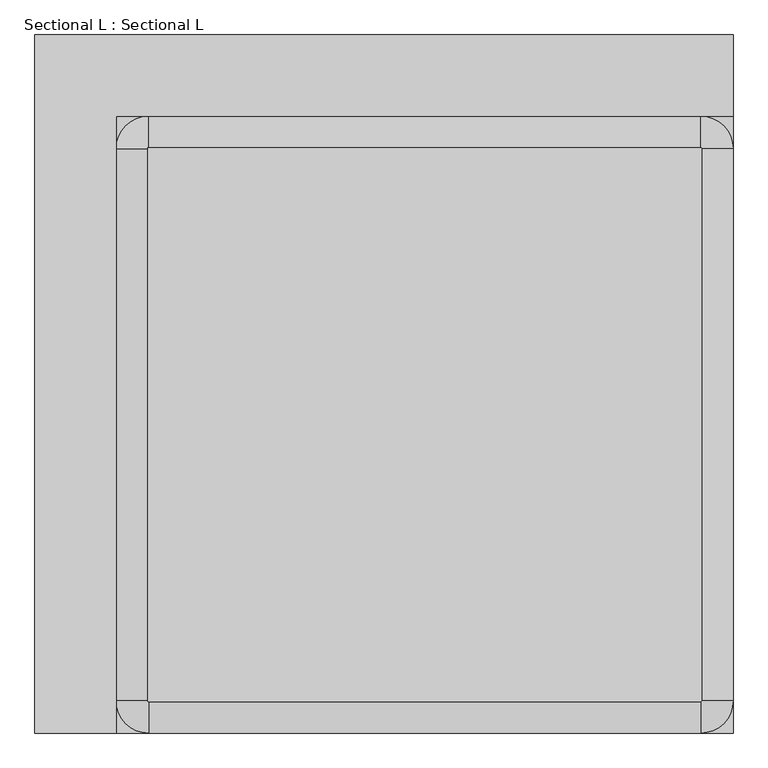
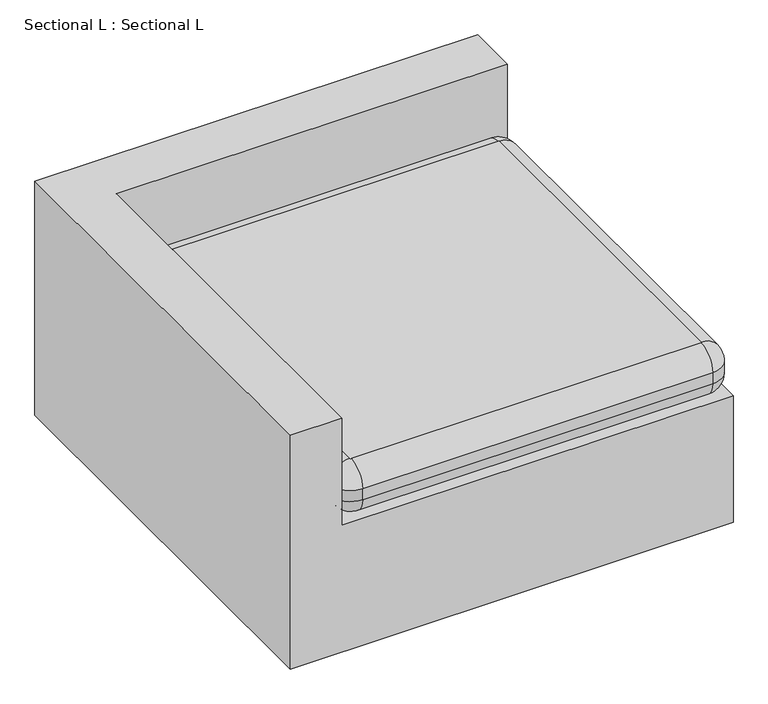
"""IFC4 building model written with IfcOpenShell, lengths in millimetres: furniture geometry, Sectional L : Sectional L."""

from ifc_helpers import new_model, si_unit, point, frame, origin, place, context, project, spatial, circle_curve, ellipse_curve, trimmed, faceted_brep, source, transform, mapped, element, save
from ifc_brep_helpers import plane_surface, cylinder_surface, revolved_surface, advanced_brep


def sectional_l_sectional_l_2c5974f1(model_context):
    return source(origin(), model_context, "Body", "SolidModel", [
        advanced_brep(
        [(176.2125, -1041.4, 482.6), (177.8, -1042.9875, 482.6), (1041.4, -1042.9875, 482.6), (1042.9875, -1041.4, 482.6), (1042.9875, -177.8, 482.6), (1041.4, -176.2125, 482.6), (177.8, -176.2125, 482.6), (176.2125, -177.8, 482.6), (177.8, -1042.9875, 355.6), (176.2125, -1041.4, 355.6), (176.2125, -177.8, 355.6), (177.8, -176.2125, 355.6), (1041.4, -176.2125, 355.6), (1042.9875, -177.8, 355.6), (1042.9875, -1041.4, 355.6), (1041.4, -1042.9875, 355.6), (1092.2, -1041.4, 404.8125), (1092.2, -177.8, 404.8125), (1092.2, -177.8, 433.3875), (1092.2, -1041.4, 433.3875), (1041.4, -127.0, 404.8125), (177.8, -127.0, 404.8125), (177.8, -127.0, 433.3875), (1041.4, -127.0, 433.3875), (127.0, -177.8, 404.8125), (127.0, -1041.4, 404.8125), (127.0, -1041.4, 433.3875), (127.0, -177.8, 433.3875), (177.8, -1092.2, 404.8125), (1041.4, -1092.2, 404.8125), (1041.4, -1092.2, 433.3875), (177.8, -1092.2, 433.3875)],
        [
            (0, 1, circle_curve(frame((177.8, -1041.4, 482.6), z_axis=(0.0, 0.0, 1.0), x_axis=(-1.0, 0.0, 0.0)), 1.5875)),
            (1, 2),
            (2, 3, circle_curve(frame((1041.4, -1041.4, 482.6), z_axis=(0.0, 0.0, 1.0), x_axis=(0.0, -1.0, 0.0)), 1.5875)),
            (3, 4),
            (4, 5, circle_curve(frame((1041.4, -177.8, 482.6), z_axis=(0.0, 0.0, 1.0), x_axis=(1.0, 0.0, 0.0)), 1.5875)),
            (5, 6),
            (6, 7, circle_curve(frame((177.8, -177.8, 482.6), z_axis=(0.0, 0.0, 1.0), x_axis=(0.0, 1.0, 0.0)), 1.5875)),
            (7, 0),
            (8, 9, circle_curve(frame((177.8, -1041.4, 355.6), z_axis=(0.0, 0.0, -1.0), x_axis=(-1.0, 0.0, 0.0)), 1.5875)),
            (9, 10),
            (10, 11, circle_curve(frame((177.8, -177.8, 355.6), z_axis=(0.0, 0.0, -1.0), x_axis=(0.0, 1.0, 0.0)), 1.5875)),
            (11, 12),
            (12, 13, circle_curve(frame((1041.4, -177.8, 355.6), z_axis=(0.0, 0.0, -1.0), x_axis=(1.0, 0.0, 0.0)), 1.5875)),
            (13, 14),
            (14, 15, circle_curve(frame((1041.4, -1041.4, 355.6), z_axis=(0.0, 0.0, -1.0), x_axis=(0.0, -1.0, 0.0)), 1.5875)),
            (15, 8),
            (16, 17),
            (17, 18),
            (18, 19),
            (19, 16),
            (20, 21),
            (21, 22),
            (22, 23),
            (23, 20),
            (24, 25),
            (25, 26),
            (26, 27),
            (27, 24),
            (28, 29),
            (29, 30),
            (30, 31),
            (31, 28),
            (29, 16, circle_curve(frame((1041.4, -1041.4, 404.8125), z_axis=(0.0, 0.0, 1.0), x_axis=(1.0, 0.0, 0.0)), 50.8)),
            (19, 30, circle_curve(frame((1041.4, -1041.4, 433.3875), z_axis=(0.0, 0.0, -1.0), x_axis=(1.0, 0.0, 0.0)), 50.8)),
            (17, 20, circle_curve(frame((1041.4, -177.8, 404.8125), z_axis=(0.0, 0.0, 1.0), x_axis=(1.0, 0.0, 0.0)), 50.8)),
            (23, 18, circle_curve(frame((1041.4, -177.8, 433.3875), z_axis=(0.0, 0.0, -1.0), x_axis=(1.0, 0.0, 0.0)), 50.8)),
            (21, 24, circle_curve(frame((177.8, -177.8, 404.8125), z_axis=(0.0, 0.0, 1.0), x_axis=(1.0, 0.0, 0.0)), 50.8)),
            (27, 22, circle_curve(frame((177.8, -177.8, 433.3875), z_axis=(0.0, 0.0, -1.0), x_axis=(1.0, 0.0, 0.0)), 50.8)),
            (25, 28, circle_curve(frame((177.8, -1041.4, 404.8125), z_axis=(0.0, 0.0, 1.0), x_axis=(1.0, 0.0, 0.0)), 50.8)),
            (31, 26, circle_curve(frame((177.8, -1041.4, 433.3875), z_axis=(0.0, 0.0, -1.0), x_axis=(1.0, 0.0, 0.0)), 50.8)),
            (8, 28, circle_curve(frame((177.8, -1042.9875, 404.8125), z_axis=(-1.0, 0.0, 0.0), x_axis=(0.0, 1.0, 0.0)), 49.2125)),
            (25, 9, circle_curve(frame((176.2125, -1041.4, 404.8125), z_axis=(0.0, -1.0, 0.0), x_axis=(1.0, 0.0, 0.0)), 49.2125)),
            (15, 29, circle_curve(frame((1041.4, -1042.9875, 404.8125), z_axis=(-1.0, 0.0, 0.0), x_axis=(0.0, 1.0, 0.0)), 49.2125)),
            (14, 16, circle_curve(frame((1042.9875, -1041.4, 404.8125), z_axis=(0.0, -1.0, 0.0), x_axis=(-1.0, 0.0, 0.0)), 49.2125)),
            (13, 17, circle_curve(frame((1042.9875, -177.8, 404.8125), z_axis=(0.0, -1.0, 0.0), x_axis=(-1.0, 0.0, 0.0)), 49.2125)),
            (12, 20, circle_curve(frame((1041.4, -176.2125, 404.8125), z_axis=(1.0, 0.0, 0.0), x_axis=(0.0, -1.0, 0.0)), 49.2125)),
            (11, 21, circle_curve(frame((177.8, -176.2125, 404.8125), z_axis=(1.0, 0.0, 0.0), x_axis=(0.0, -1.0, 0.0)), 49.2125)),
            (10, 24, circle_curve(frame((176.2125, -177.8, 404.8125), z_axis=(0.0, 1.0, 0.0), x_axis=(1.0, 0.0, 0.0)), 49.2125)),
            (31, 1, circle_curve(frame((177.8, -1042.9875, 433.3875), z_axis=(-1.0, 0.0, 0.0), x_axis=(0.0, 1.0, 0.0)), 49.2125)),
            (0, 26, circle_curve(frame((176.2125, -1041.4, 433.3875), z_axis=(0.0, -1.0, 0.0), x_axis=(1.0, 0.0, 0.0)), 49.2125)),
            (30, 2, circle_curve(frame((1041.4, -1042.9875, 433.3875), z_axis=(-1.0, 0.0, 0.0), x_axis=(0.0, 1.0, 0.0)), 49.2125)),
            (19, 3, circle_curve(frame((1042.9875, -1041.4, 433.3875), z_axis=(0.0, -1.0, 0.0), x_axis=(-1.0, 0.0, 0.0)), 49.2125)),
            (18, 4, circle_curve(frame((1042.9875, -177.8, 433.3875), z_axis=(0.0, -1.0, 0.0), x_axis=(-1.0, 0.0, 0.0)), 49.2125)),
            (23, 5, circle_curve(frame((1041.4, -176.2125, 433.3875), z_axis=(1.0, 0.0, 0.0), x_axis=(0.0, -1.0, 0.0)), 49.2125)),
            (22, 6, circle_curve(frame((177.8, -176.2125, 433.3875), z_axis=(1.0, 0.0, 0.0), x_axis=(0.0, -1.0, 0.0)), 49.2125)),
            (27, 7, circle_curve(frame((176.2125, -177.8, 433.3875), z_axis=(0.0, 1.0, 0.0), x_axis=(1.0, 0.0, 0.0)), 49.2125)),
        ],
        [
            plane_surface(frame((1092.2, -1041.4, 482.6), z_axis=(0.0, 0.0, 1.0), x_axis=(0.0, 1.0, 0.0))),
            plane_surface(frame((1092.2, -1041.4, 355.6), z_axis=(0.0, 0.0, -1.0), x_axis=(0.0, -1.0, 0.0))),
            plane_surface(frame((1092.2, -1041.4, 482.6), z_axis=(1.0, 0.0, 0.0), x_axis=(0.0, 0.0, -1.0))),
            plane_surface(frame((1041.4, -127.0, 482.6), z_axis=(0.0, 1.0, 0.0), x_axis=(0.0, 0.0, -1.0))),
            plane_surface(frame((127.0, -177.8, 482.6), z_axis=(-1.0, 0.0, 0.0), x_axis=(0.0, 0.0, -1.0))),
            plane_surface(frame((177.8, -1092.2, 482.6), z_axis=(0.0, -1.0, 0.0), x_axis=(0.0, 0.0, -1.0))),
            cylinder_surface(frame((1041.4, -1041.4, 355.6), z_axis=(0.0, 0.0, 1.0), x_axis=(1.0, 0.0, 0.0)), 50.8),
            cylinder_surface(frame((1041.4, -177.8, 355.6), z_axis=(0.0, 0.0, 1.0), x_axis=(1.0, 0.0, 0.0)), 50.8),
            cylinder_surface(frame((177.8, -177.8, 355.6), z_axis=(0.0, 0.0, 1.0), x_axis=(1.0, 0.0, 0.0)), 50.8),
            cylinder_surface(frame((177.8, -1041.4, 355.6), z_axis=(0.0, 0.0, 1.0), x_axis=(1.0, 0.0, 0.0)), 50.8),
            revolved_surface(trimmed(ellipse_curve(frame((176.2125, -1041.4, 404.8125), z_axis=(0.0, 1.0, 0.0), x_axis=(1.0, 0.0, 0.0)), 49.2125, 49.2125), [point((176.2125, -1041.4, 355.6))], [point((127.0, -1041.4, 404.8125))], True, "CARTESIAN"), (177.8, -1041.4, 355.6), (0.0, 0.0, 1.0)),
            cylinder_surface(frame((177.8, -1042.9875, 404.8125), z_axis=(1.0, 0.0, 0.0), x_axis=(0.0, 1.0, 0.0)), 49.2125),
            revolved_surface(trimmed(ellipse_curve(frame((1041.4, -1042.9875, 404.8125), z_axis=(-1.0, 0.0, 0.0), x_axis=(0.0, 1.0, 0.0)), 49.2125, 49.2125), [point((1041.4, -1042.9875, 355.6))], [point((1041.4, -1092.2, 404.8125))], True, "CARTESIAN"), (1041.4, -1041.4, 355.6), (0.0, 0.0, 1.0)),
            cylinder_surface(frame((1042.9875, -1041.4, 404.8125), z_axis=(0.0, 1.0, 0.0), x_axis=(-1.0, 0.0, 0.0)), 49.2125),
            revolved_surface(trimmed(ellipse_curve(frame((1042.9875, -177.8, 404.8125), z_axis=(0.0, -1.0, 0.0), x_axis=(-1.0, 0.0, 0.0)), 49.2125, 49.2125), [point((1042.9875, -177.8, 355.6))], [point((1092.2, -177.8, 404.8125))], True, "CARTESIAN"), (1041.4, -177.8, 355.6), (0.0, 0.0, 1.0)),
            cylinder_surface(frame((1041.4, -176.2125, 404.8125), z_axis=(-1.0, 0.0, 0.0), x_axis=(0.0, -1.0, 0.0)), 49.2125),
            revolved_surface(trimmed(ellipse_curve(frame((177.8, -176.2125, 404.8125), z_axis=(1.0, 0.0, 0.0), x_axis=(0.0, -1.0, 0.0)), 49.2125, 49.2125), [point((177.8, -176.2125, 355.6))], [point((177.8, -127.0, 404.8125))], True, "CARTESIAN"), (177.8, -177.8, 355.6), (0.0, 0.0, 1.0)),
            cylinder_surface(frame((176.2125, -177.8, 404.8125), z_axis=(0.0, -1.0, 0.0), x_axis=(1.0, 0.0, 0.0)), 49.2125),
            revolved_surface(trimmed(ellipse_curve(frame((176.2125, -1041.4, 433.3875), z_axis=(0.0, 1.0, 0.0), x_axis=(1.0, 0.0, 0.0)), 49.2125, 49.2125), [point((127.0, -1041.4, 433.3875))], [point((176.2125, -1041.4, 482.6))], True, "CARTESIAN"), (177.8, -1041.4, 482.6), (0.0, 0.0, 1.0)),
            cylinder_surface(frame((177.8, -1042.9875, 433.3875), z_axis=(1.0, 0.0, 0.0), x_axis=(0.0, 1.0, 0.0)), 49.2125),
            revolved_surface(trimmed(ellipse_curve(frame((1041.4, -1042.9875, 433.3875), z_axis=(-1.0, 0.0, 0.0), x_axis=(0.0, 1.0, 0.0)), 49.2125, 49.2125), [point((1041.4, -1092.2, 433.3875))], [point((1041.4, -1042.9875, 482.6))], True, "CARTESIAN"), (1041.4, -1041.4, 482.6), (0.0, 0.0, 1.0)),
            cylinder_surface(frame((1042.9875, -1041.4, 433.3875), z_axis=(0.0, 1.0, 0.0), x_axis=(-1.0, 0.0, 0.0)), 49.2125),
            revolved_surface(trimmed(ellipse_curve(frame((1042.9875, -177.8, 433.3875), z_axis=(0.0, -1.0, 0.0), x_axis=(-1.0, 0.0, 0.0)), 49.2125, 49.2125), [point((1092.2, -177.8, 433.3875))], [point((1042.9875, -177.8, 482.6))], True, "CARTESIAN"), (1041.4, -177.8, 482.6), (0.0, 0.0, 1.0)),
            cylinder_surface(frame((1041.4, -176.2125, 433.3875), z_axis=(-1.0, 0.0, 0.0), x_axis=(0.0, -1.0, 0.0)), 49.2125),
            revolved_surface(trimmed(ellipse_curve(frame((177.8, -176.2125, 433.3875), z_axis=(1.0, 0.0, 0.0), x_axis=(0.0, -1.0, 0.0)), 49.2125, 49.2125), [point((177.8, -127.0, 433.3875))], [point((177.8, -176.2125, 482.6))], True, "CARTESIAN"), (177.8, -177.8, 482.6), (0.0, 0.0, 1.0)),
            cylinder_surface(frame((176.2125, -177.8, 433.3875), z_axis=(0.0, -1.0, 0.0), x_axis=(1.0, 0.0, 0.0)), 49.2125),
        ],
        [
            (0, [[1, 2, 3, 4, 5, 6, 7, 8]]),
            (1, [[9, 10, 11, 12, 13, 14, 15, 16]]),
            (2, [[17, 18, 19, 20]]),
            (3, [[21, 22, 23, 24]]),
            (4, [[25, 26, 27, 28]]),
            (5, [[29, 30, 31, 32]]),
            (6, [[33, -20, 34, -30]]),
            (7, [[35, -24, 36, -18]]),
            (8, [[37, -28, 38, -22]]),
            (9, [[39, -32, 40, -26]]),
            (10, [[41, -39, 42, -9]]),
            (11, [[-41, -16, 43, -29]]),
            (12, [[-43, -15, 44, -33]]),
            (13, [[-44, -14, 45, -17]]),
            (14, [[-45, -13, 46, -35]]),
            (15, [[-46, -12, 47, -21]]),
            (16, [[-47, -11, 48, -37]]),
            (17, [[-42, -25, -48, -10]]),
            (18, [[49, -1, 50, -40]]),
            (19, [[-49, -31, 51, -2]]),
            (20, [[-51, -34, 52, -3]]),
            (21, [[-52, -19, 53, -4]]),
            (22, [[-53, -36, 54, -5]]),
            (23, [[-54, -23, 55, -6]]),
            (24, [[-55, -38, 56, -7]]),
            (25, [[-50, -8, -56, -27]]),
        ],
    ),
        faceted_brep([(1092.2, -127.0, 635.0), (1092.2, 0.0, 635.0), (0.0, 0.0, 635.0), (0.0, -1092.2, 635.0), (127.0, -1092.2, 635.0), (127.0, -127.0, 635.0), (0.0, 0.0, 25.4), (1092.2, 0.0, 25.4), (1092.2, -1092.2, 25.4), (0.0, -1092.2, 25.4), (1092.2, -127.0, 355.6), (1092.2, -1092.2, 355.6), (127.0, -127.0, 355.6), (127.0, -1092.2, 355.6)], [[[0, 1, 2, 3, 4, 5]], [[6, 7, 8, 9]], [[1, 0, 10, 11, 8, 7]], [[2, 1, 7, 6]], [[9, 3, 2, 6]], [[0, 5, 12, 10]], [[11, 10, 12, 13]], [[4, 3, 9, 8, 11, 13]], [[5, 4, 13, 12]]]),
    ])


if __name__ == "__main__":
    model = new_model("IFC4")
    model_context = context("Model", 3, world=origin())
    ifc_project = project(units=[si_unit("LENGTHUNIT", "METRE", prefix="MILLI")], contexts=[model_context])
    site = spatial("IfcSite", under=ifc_project)
    building = spatial("IfcBuilding", under=site)
    placement = place(None, origin())
    sectional_l_sectional_l_shape = sectional_l_sectional_l_2c5974f1(model_context)
    element("IfcFurniture", 1, ObjectType="Sectional L : Sectional L", at=placement, inside=building, context=model_context, shape_type="MappedRepresentation", body=[
        mapped(sectional_l_sectional_l_shape, transform((0.0, 0.0, 0.0), x_axis=(1.0, 0.0, 0.0), y_axis=(0.0, 1.0, 0.0), z_axis=(0.0, 0.0, 1.0))),
    ])
    save(model, "model.ifc")
